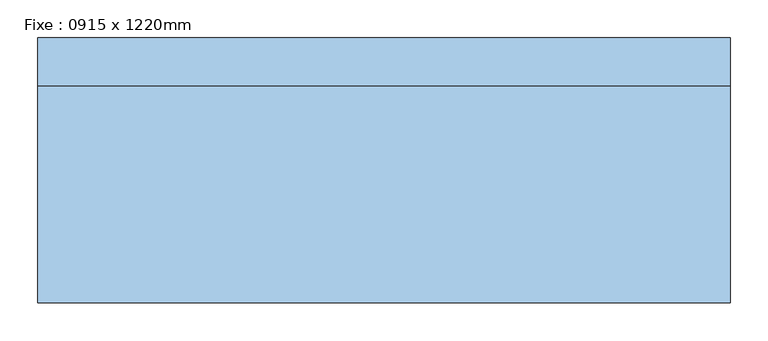
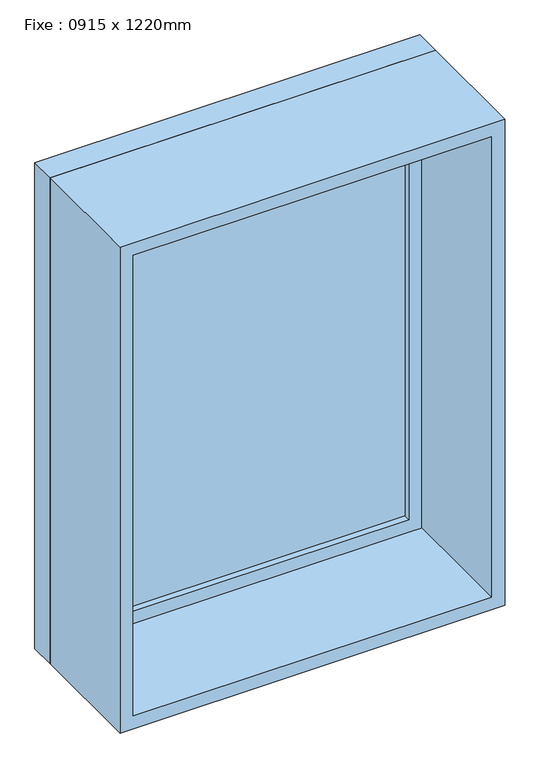
"""IFC4 building model written with IfcOpenShell, lengths in millimetres: window geometry, Fixe : 0915 x 1220mm."""

from ifc_helpers import new_model, si_unit, frame, origin, place, context, project, spatial, polyline, outline, extrude, source, transform, mapped, element, save


def fixe_0915_x_1220mm_bde29121(model_context):
    return source(origin(), model_context, "Body", "SweptSolid", [
        extrude(outline(polyline([(-394.5, 153.0), (394.5, 153.0), (394.5, 141.0), (-394.5, 141.0), (-394.5, 153.0)])), frame((0.0, 0.0, 978.0), z_axis=(0.0, 0.0, 1.0), x_axis=(1.0, 0.0, 0.0)), (0.0, 0.0, 1.0), 1094.0),
        extrude(outline(polyline([(2116.0, -438.5), (934.0, -438.5), (934.0, 438.5), (2116.0, 438.5), (2116.0, -438.5)]), holes=[polyline([(2072.0, -394.5), (2072.0, 394.5), (978.0, 394.5), (978.0, -394.5), (2072.0, -394.5)])]), frame((0.0, 125.0, 0.0), z_axis=(0.0, 1.0, 0.0), x_axis=(0.0, 0.0, 1.0)), (0.0, 0.0, 1.0), 44.0),
        extrude(outline(polyline([(2135.0, -457.5), (915.0, -457.5), (915.0, 457.5), (2135.0, 457.5), (2135.0, -457.5)]), holes=[polyline([(2116.0, -438.5), (2116.0, 438.5), (934.0, 438.5), (934.0, -438.5), (2116.0, -438.5)])]), frame((0.0, 125.0, 0.0), z_axis=(0.0, 1.0, 0.0), x_axis=(0.0, 0.0, 1.0)), (0.0, 0.0, 1.0), 63.0),
        extrude(outline(polyline([(2135.0, -457.5), (915.0, -457.5), (915.0, 457.5), (2135.0, 457.5), (2135.0, -457.5)]), holes=[polyline([(2103.0, -425.5), (2103.0, 425.5), (947.0, 425.5), (947.0, -425.5), (2103.0, -425.5)])]), frame((0.0, -162.0, 0.0), z_axis=(0.0, 1.0, 0.0), x_axis=(0.0, 0.0, 1.0)), (0.0, 0.0, 1.0), 287.0),
    ])


if __name__ == "__main__":
    model = new_model("IFC4")
    model_context = context("Model", 3, world=origin())
    ifc_project = project(units=[si_unit("LENGTHUNIT", "METRE", prefix="MILLI")], contexts=[model_context])
    site = spatial("IfcSite", under=ifc_project)
    building = spatial("IfcBuilding", under=site)
    placement = place(None, origin())
    fixe_0915_x_1220mm_shape = fixe_0915_x_1220mm_bde29121(model_context)
    element("IfcWindow", 1, ObjectType="Fixe : 0915 x 1220mm", at=placement, inside=building, context=model_context, shape_type="MappedRepresentation", body=[
        mapped(fixe_0915_x_1220mm_shape, transform((0.0, 0.0, 0.0), x_axis=(1.0, 0.0, 0.0), y_axis=(0.0, 1.0, 0.0), z_axis=(0.0, 0.0, 1.0))),
    ])
    save(model, "model.ifc")
